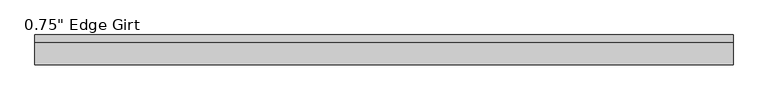
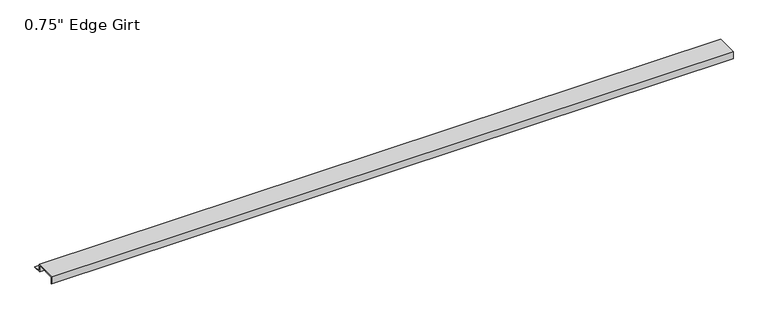
"""IFC4 building model written with IfcOpenShell, lengths in millimetres: proxy geometry."""

from ifc_helpers import new_model, si_unit, frame, origin, place, context, project, spatial, polyline, outline, extrude, source, transform, mapped, element, save


def proxy_0fd4c5d4(model_context):
    return source(origin(), model_context, "Body", "SweptSolid", [
        extrude(outline(polyline([(46.0559645, -17.4375), (25.4, -17.4375), (25.4, 0.0), (-25.4, 0.0), (-25.4, -17.4375), (-27.0129, -17.4375), (-27.0129, 1.6129), (27.0129, 1.6129), (27.0129, -15.8242), (46.0559645, -15.8242), (46.0559645, -17.4375)])), frame((0.0, 0.0, 0.0), z_axis=(1.0, 0.0, 0.0), x_axis=(0.0, 1.0, 0.0)), (0.0, 0.0, 1.0), 1707.850178),
    ])


if __name__ == "__main__":
    model = new_model("IFC4")
    model_context = context("Model", 3, world=origin())
    ifc_project = project(units=[si_unit("LENGTHUNIT", "METRE", prefix="MILLI")], contexts=[model_context])
    site = spatial("IfcSite", under=ifc_project)
    building = spatial("IfcBuilding", under=site)
    placement = place(None, origin())
    proxy_shape = proxy_0fd4c5d4(model_context)
    element("IfcBuildingElementProxy", 1, Name="0.75\" Edge Girt", ObjectType="0.75\" Edge Girt", at=placement, inside=building, context=model_context, shape_type="MappedRepresentation", body=[
        mapped(proxy_shape, transform((0.0, 0.0, 0.0), x_axis=(1.0, 0.0, 0.0), y_axis=(0.0, 1.0, 0.0), z_axis=(0.0, 0.0, 1.0))),
    ])
    save(model, "model.ifc")
